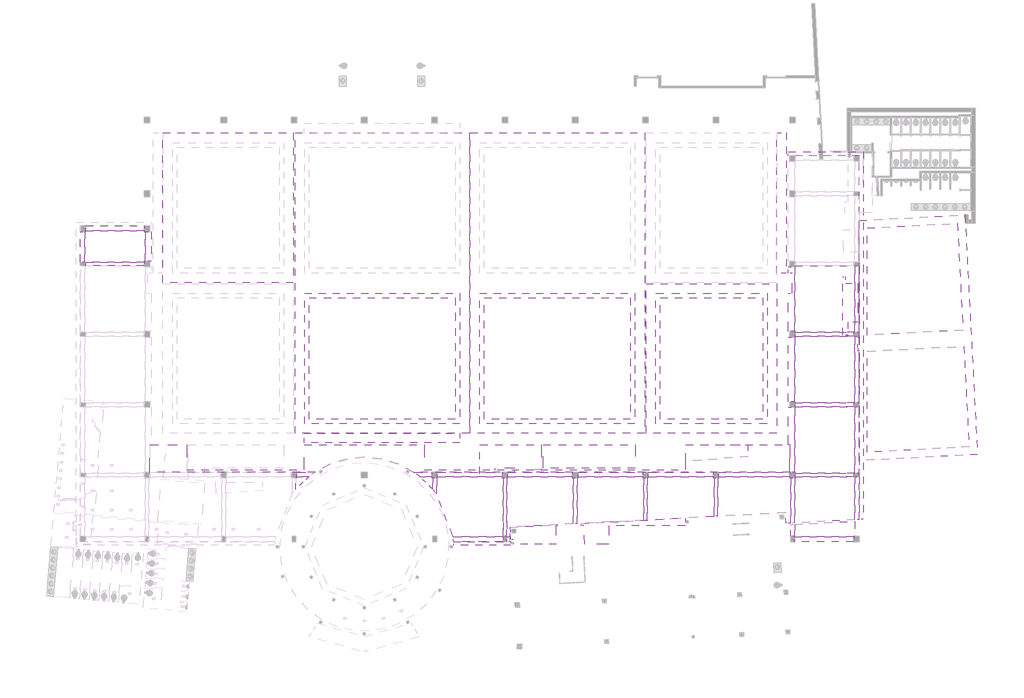
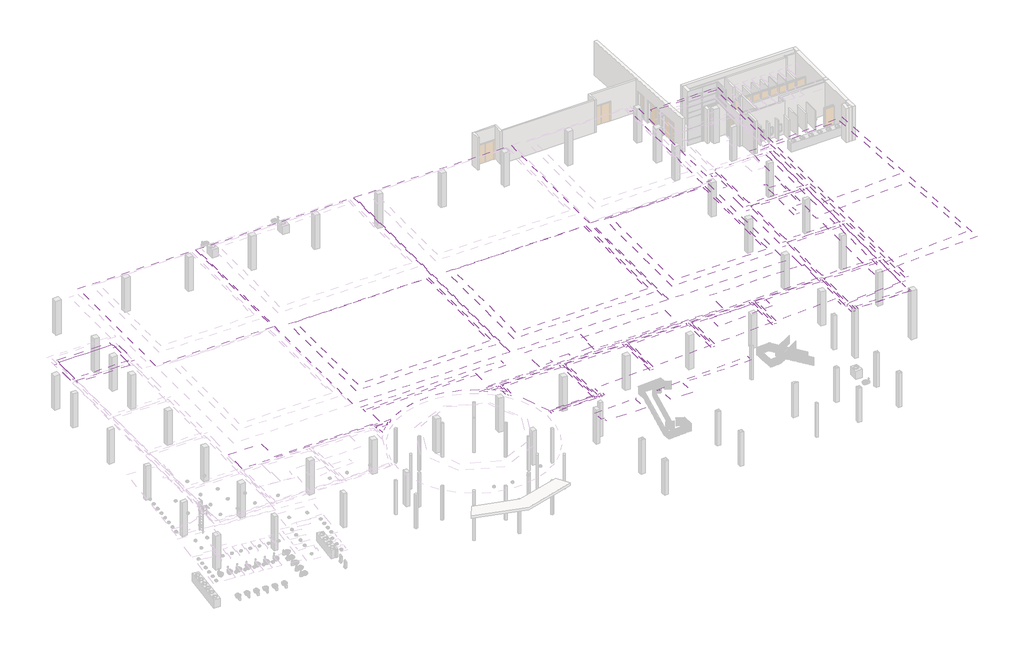
# One storey, part 28 of 36: 68 coverings.
"""IFC4 building model written with IfcOpenShell, lengths in millimetres."""

from ifc_helpers import new_model, si_unit, point, frame, frame_2d, origin, place, context, project, spatial, polyline, circle_curve, trimmed, segment, composite_curve, outline, extrude, element, save

model = new_model("IFC4")

# Units and contexts
model_context = context("Model", 3, world=origin())
ifc_project = project(units=[si_unit("LENGTHUNIT", "METRE", prefix="MILLI")], contexts=[model_context])

# Site, building, storey
site = spatial("IfcSite", under=ifc_project)
building = spatial("IfcBuilding", under=site)
storey = spatial("IfcBuildingStorey", under=building, Elevation=0.0)

# Coverings
placement = place(None, origin())
element("IfcCovering", 1, ObjectType="2' x 2' ACT System", at=placement, inside=storey, context=model_context, shape_type="SweptSolid", body=[
    extrude(outline(polyline([(-29897.3440345, -14000.959635), (-29897.3440345, -2418.559635), (-15978.1440345, -2418.559635), (-15978.1440345, -14000.959635), (-29897.3440345, -14000.959635)])), frame((0.0, 0.0, 6096.0), z_axis=(0.0, 0.0, 1.0), x_axis=(1.0, 0.0, 0.0)), (0.0, 0.0, 1.0), 50.8),
])
element("IfcCovering", 2, ObjectType="2' x 2' ACT System", at=placement, inside=storey, context=model_context, shape_type="SweptSolid", body=[
    extrude(outline(polyline([(13333.4559655, -14000.959635), (3579.8559655, -14000.959635), (3579.8559655, -2418.559635), (13333.4559655, -2418.559635), (13333.4559655, -14000.959635)])), frame((0.0, 0.0, 6096.0), z_axis=(0.0, 0.0, 1.0), x_axis=(1.0, 0.0, 0.0)), (0.0, 0.0, 1.0), 50.8),
])
element("IfcCovering", 3, ObjectType="2' x 2' ACT System", at=placement, inside=storey, context=model_context, shape_type="SweptSolid", body=[
    extrude(outline(polyline([(735.0559655, -14000.959635), (-13184.1440345, -14000.959635), (-13184.1440345, -2418.559635), (735.0559655, -2418.559635), (735.0559655, -14000.959635)])), frame((0.0, 0.0, 6096.0), z_axis=(0.0, 0.0, 1.0), x_axis=(1.0, 0.0, 0.0)), (0.0, 0.0, 1.0), 50.8),
])
element("IfcCovering", 4, ObjectType="2' x 2' ACT System", at=placement, inside=storey, context=model_context, shape_type="SweptSolid", body=[
    extrude(outline(polyline([(16476.7059655, -5717.384635), (16476.7059655, -5625.309635), (16384.6309655, -5625.309635), (16384.6309655, 534.190365), (16476.7059655, 534.190365), (16476.7059655, 626.265365), (22118.6809655, 626.265365), (22118.6809655, -5717.384635), (16476.7059655, -5717.384635)])), frame((0.0, 0.0, 5181.6), z_axis=(0.0, 0.0, 1.0), x_axis=(1.0, 0.0, 0.0)), (0.0, 0.0, 1.0), 50.8),
])
element("IfcCovering", 5, ObjectType="2' x 2' ACT System", at=placement, inside=storey, context=model_context, shape_type="SweptSolid", body=[
    extrude(outline(polyline([(16476.7059655, -6079.334635), (22118.6809655, -6079.334635), (22118.6809655, -12422.984635), (16476.7059655, -12422.984635), (16476.7059655, -12330.909635), (16384.6309655, -12330.909635), (16384.6309655, -6171.409635), (16476.7059655, -6171.409635), (16476.7059655, -6079.334635)])), frame((0.0, 0.0, 5181.6), z_axis=(0.0, 0.0, 1.0), x_axis=(1.0, 0.0, 0.0)), (0.0, 0.0, 1.0), 50.8),
])
element("IfcCovering", 6, ObjectType="2' x 2' ACT System", at=placement, inside=storey, context=model_context, shape_type="SweptSolid", body=[
    extrude(outline(polyline([(16476.7059655, -19128.584635), (16476.7059655, -19036.509635), (16384.6309655, -19036.509635), (16384.6309655, -12877.009635), (16476.7059655, -12877.009635), (16476.7059655, -12784.934635), (22118.6809655, -12784.934635), (22118.6809655, -19128.584635), (16476.7059655, -19128.584635)])), frame((0.0, 0.0, 5181.6), z_axis=(0.0, 0.0, 1.0), x_axis=(1.0, 0.0, 0.0)), (0.0, 0.0, 1.0), 50.8),
])
element("IfcCovering", 7, ObjectType="2' x 2' ACT System", at=placement, inside=storey, context=model_context, shape_type="SweptSolid", body=[
    extrude(outline(polyline([(16476.7059655, -19490.534635), (22118.6809655, -19490.534635), (22118.6809655, -23584.9151815), (16384.6309655, -23885.4240083), (16384.6309655, -19582.609635), (16476.7059655, -19582.609635), (16476.7059655, -19490.534635)])), frame((0.0, 0.0, 5181.6), z_axis=(0.0, 0.0, 1.0), x_axis=(1.0, 0.0, 0.0)), (0.0, 0.0, 1.0), 50.8),
])
element("IfcCovering", 8, ObjectType="2' x 2' ACT System", at=placement, inside=storey, context=model_context, shape_type="SweptSolid", body=[
    extrude(outline(polyline([(15930.6059655, -19490.534635), (15930.6059655, -19582.609635), (16022.6809655, -19582.609635), (16022.6809655, -23904.393004), (15588.5919456, -23927.1426455), (15535.7509474, -22918.8763358), (9069.4309655, -23257.7618061), (9069.4309655, -19582.609635), (9161.5059655, -19582.609635), (9161.5059655, -19490.534635), (15930.6059655, -19490.534635)])), frame((0.0, 0.0, 5181.6), z_axis=(0.0, 0.0, 1.0), x_axis=(1.0, 0.0, 0.0)), (0.0, 0.0, 1.0), 50.8),
])
element("IfcCovering", 9, ObjectType="2' x 2' ACT System", at=placement, inside=storey, context=model_context, shape_type="SweptSolid", body=[
    extrude(outline(polyline([(2455.9059655, -19490.534635), (8615.4059655, -19490.534635), (8615.4059655, -19582.609635), (8707.4809655, -19582.609635), (8707.4809655, -23276.7308019), (2363.8309655, -23609.1874109), (2363.8309655, -19582.609635), (2455.9059655, -19582.609635), (2455.9059655, -19490.534635)])), frame((0.0, 0.0, 5181.6), z_axis=(0.0, 0.0, 1.0), x_axis=(1.0, 0.0, 0.0)), (0.0, 0.0, 1.0), 50.8),
])
element("IfcCovering", 10, ObjectType="2' x 2' ACT System", at=placement, inside=storey, context=model_context, shape_type="SweptSolid", body=[
    extrude(outline(polyline([(1909.8059655, -19490.534635), (1909.8059655, -19582.609635), (2001.8809655, -19582.609635), (2001.8809655, -23628.1564066), (-4341.7690345, -23960.6130157), (-4341.7690345, -19582.609635), (-4249.6940345, -19582.609635), (-4249.6940345, -19490.534635), (1909.8059655, -19490.534635)])), frame((0.0, 0.0, 5181.6), z_axis=(0.0, 0.0, 1.0), x_axis=(1.0, 0.0, 0.0)), (0.0, 0.0, 1.0), 50.8),
])
element("IfcCovering", 11, ObjectType="2' x 2' ACT System", at=placement, inside=storey, context=model_context, shape_type="SweptSolid", body=[
    extrude(outline(polyline([(-10955.2940345, -19490.534635), (-4795.7940345, -19490.534635), (-4795.7940345, -19582.609635), (-4703.7190345, -19582.609635), (-4703.7190345, -23979.5820114), (-10767.9512721, -24297.394956), (-10719.3593201, -25224.584635), (-11047.3690345, -25224.584635), (-11047.3690345, -19582.609635), (-10955.2940345, -19582.609635), (-10955.2940345, -19490.534635)])), frame((0.0, 0.0, 5181.6), z_axis=(0.0, 0.0, 1.0), x_axis=(1.0, 0.0, 0.0)), (0.0, 0.0, 1.0), 50.8),
])
element("IfcCovering", 12, ObjectType="2' x 2' ACT System", at=placement, inside=storey, context=model_context, shape_type="SweptSolid", body=[
    extrude(outline(polyline([(-45638.9940345, 3979.065365), (-45638.9940345, 3886.990365), (-45546.9190345, 3886.990365), (-45546.9190345, 1080.290365), (-45638.9940345, 1080.290365), (-45638.9940345, 988.215365), (-51280.9690345, 988.215365), (-51280.9690345, 3886.990365), (-51188.8940345, 3886.990365), (-51188.8940345, 3979.065365), (-45638.9940345, 3979.065365)])), frame((0.0, 0.0, 5181.6), z_axis=(0.0, 0.0, 1.0), x_axis=(1.0, 0.0, 0.0)), (0.0, 0.0, 1.0), 50.8),
])
element("IfcCovering", 13, ObjectType="2' x 2' ACT System", at=placement, inside=storey, context=model_context, shape_type="SweptSolid", body=[
    extrude(outline(composite_curve([segment(polyline([(-31072.0940345, -19490.534635), (-29954.9292989, -19490.534635)]), True, "CONTINUOUS"), segment(trimmed(circle_curve(frame_2d((-24639.5440345, -26167.559635)), 8534.4), [point((-29954.9292989, -19490.534635))], [point((-31164.1690345, -20666.1732671))], True, "CARTESIAN"), True, "CONTINUOUS"), segment(polyline([(-31164.1690345, -20666.1732671), (-31164.1690345, -19582.609635), (-31072.0940345, -19582.609635), (-31072.0940345, -19490.534635)]), True, "CONTINUOUS")], self_intersect=False)), frame((0.0, 0.0, 5181.6), z_axis=(0.0, 0.0, 1.0), x_axis=(1.0, 0.0, 0.0)), (0.0, 0.0, 1.0), 50.8),
])
element("IfcCovering", 14, ObjectType="2' x 2' ACT System", at=placement, inside=storey, context=model_context, shape_type="SweptSolid", body=[
    extrude(outline(composite_curve([segment(polyline([(-18206.9940345, -19490.534635), (-18206.9940345, -19582.609635), (-18114.9190345, -19582.609635), (-18114.9190345, -20666.1732671)]), True, "CONTINUOUS"), segment(trimmed(circle_curve(frame_2d((-24639.5440345, -26167.559635)), 8534.4), [point((-18114.9190345, -20666.1732671))], [point((-19324.1587701, -19490.534635))], True, "CARTESIAN"), True, "CONTINUOUS"), segment(polyline([(-19324.1587701, -19490.534635), (-18206.9940345, -19490.534635)]), True, "CONTINUOUS")], self_intersect=False)), frame((0.0, 0.0, 5181.6), z_axis=(0.0, 0.0, 1.0), x_axis=(1.0, 0.0, 0.0)), (0.0, 0.0, 1.0), 50.8),
])
element("IfcCovering", 15, ObjectType="2' x 2' ACT System", at=placement, inside=storey, context=model_context, shape_type="SweptSolid", body=[
    extrude(outline(composite_curve([segment(polyline([(-17660.8940345, -19490.534635), (-11501.3940345, -19490.534635), (-11501.3940345, -19582.609635), (-11409.3190345, -19582.609635), (-11409.3190345, -25224.584635), (-16157.3991696, -25224.584635)]), True, "CONTINUOUS"), segment(trimmed(circle_curve(frame_2d((-24639.5440345, -26167.559635)), 8534.4), [point((-16157.3991696, -25224.584635))], [point((-17752.9690345, -21126.620424))], True, "CARTESIAN"), True, "CONTINUOUS"), segment(polyline([(-17752.9690345, -21126.620424), (-17752.9690345, -19582.609635), (-17660.8940345, -19582.609635), (-17660.8940345, -19490.534635)]), True, "CONTINUOUS")], self_intersect=False)), frame((0.0, 0.0, 5181.6), z_axis=(0.0, 0.0, 1.0), x_axis=(1.0, 0.0, 0.0)), (0.0, 0.0, 1.0), 50.8),
])
element("IfcCovering", 16, ObjectType="2' x 2' ACT System", at=placement, inside=storey, context=model_context, shape_type="SweptSolid", body=[
    extrude(outline(polyline([(31909.2771996, 4687.1559255), (32443.7073352, -5510.3785431), (23334.7059655, -5987.7610764), (23334.7059655, 4237.7816888), (31909.2771996, 4687.1559255)])), frame((0.0, 0.0, 2743.2), z_axis=(0.0, 0.0, 1.0), x_axis=(1.0, 0.0, 0.0)), (0.0, 0.0, 1.0), 50.8),
])
element("IfcCovering", 17, ObjectType="2' x 2' ACT System", at=placement, inside=storey, context=model_context, shape_type="SweptSolid", body=[
    extrude(outline(polyline([(32523.4673326, -7032.2899541), (33027.0803286, -16641.7983694), (23334.7059655, -17149.7541858), (23334.7059655, -7513.8525317), (32523.4673326, -7032.2899541)])), frame((0.0, 0.0, 2743.2), z_axis=(0.0, 0.0, 1.0), x_axis=(1.0, 0.0, 0.0)), (0.0, 0.0, 1.0), 50.8),
])
element("IfcCovering", 18, ObjectType="GWB on Mtl. Stud", at=placement, inside=storey, context=model_context, shape_type="SweptSolid", body=[
    extrude(outline(polyline([(15594.0559655, -56.359635), (14679.6559655, -56.359635), (14679.6559655, 13304.040365), (15594.0559655, 13304.040365), (15594.0559655, -56.359635)])), frame((0.0, 0.0, 4572.0), z_axis=(0.0, 0.0, 1.0), x_axis=(1.0, 0.0, 0.0)), (0.0, 0.0, 1.0), 50.8),
    extrude(outline(polyline([(15594.0559655, -1986.759635), (15594.0559655, -15347.159635), (14679.6559655, -15347.159635), (14679.6559655, -1986.759635), (15594.0559655, -1986.759635)])), frame((0.0, 0.0, 4572.0), z_axis=(0.0, 0.0, 1.0), x_axis=(1.0, 0.0, 0.0)), (0.0, 0.0, 1.0), 50.8),
])
element("IfcCovering", 19, ObjectType="GWB on Mtl. Stud", at=placement, inside=storey, context=model_context, shape_type="SweptSolid", body=[
    extrude(outline(polyline([(3148.0559655, -16261.559635), (3148.0559655, -15347.159635), (14679.6559655, -15347.159635), (14679.6559655, -16261.559635), (3148.0559655, -16261.559635)])), frame((0.0, 0.0, 4572.0), z_axis=(0.0, 0.0, 1.0), x_axis=(1.0, 0.0, 0.0)), (0.0, 0.0, 1.0), 50.8),
    extrude(outline(polyline([(1217.6559655, -16261.559635), (-13615.9440345, -16261.559635), (-13615.9440345, -15347.159635), (1217.6559655, -15347.159635), (1217.6559655, -16261.559635)])), frame((0.0, 0.0, 4572.0), z_axis=(0.0, 0.0, 1.0), x_axis=(1.0, 0.0, 0.0)), (0.0, 0.0, 1.0), 50.8),
    extrude(outline(polyline([(-30379.9440345, -16261.559635), (-30379.9440345, -15347.159635), (-15546.3440345, -15347.159635), (-15546.3440345, -16261.559635), (-30379.9440345, -16261.559635)])), frame((0.0, 0.0, 4572.0), z_axis=(0.0, 0.0, 1.0), x_axis=(1.0, 0.0, 0.0)), (0.0, 0.0, 1.0), 50.8),
    extrude(outline(polyline([(-43841.9440345, -16261.559635), (-43841.9440345, -15347.159635), (-32310.3440345, -15347.159635), (-32310.3440345, -16261.559635), (-43841.9440345, -16261.559635)])), frame((0.0, 0.0, 4572.0), z_axis=(0.0, 0.0, 1.0), x_axis=(1.0, 0.0, 0.0)), (0.0, 0.0, 1.0), 50.8),
])
element("IfcCovering", 20, ObjectType="GWB on Mtl. Stud", at=placement, inside=storey, context=model_context, shape_type="SweptSolid", body=[
    extrude(outline(polyline([(-43841.9440345, 13304.040365), (-31395.9440345, 13304.040365), (-31395.9440345, -970.759635), (-43841.9440345, -970.759635), (-43841.9440345, 13304.040365)]), holes=[polyline([(-32310.3440345, -56.359635), (-32310.3440345, 12389.640365), (-42927.5440345, 12389.640365), (-42927.5440345, -56.359635), (-32310.3440345, -56.359635)])]), frame((0.0, 0.0, 5181.6), z_axis=(0.0, 0.0, 1.0), x_axis=(1.0, 0.0, 0.0)), (0.0, 0.0, 1.0), 50.8),
])
element("IfcCovering", 21, ObjectType="GWB on Mtl. Stud", at=placement, inside=storey, context=model_context, shape_type="SweptSolid", body=[
    extrude(outline(polyline([(-31243.5440345, -15347.159635), (-31243.5440345, 13304.040365), (-14631.9440345, 13304.040365), (-14631.9440345, -15347.159635), (-31243.5440345, -15347.159635)]), holes=[polyline([(-15546.3440345, -1986.759635), (-30329.1440345, -1986.759635), (-30329.1440345, -14432.759635), (-15546.3440345, -14432.759635), (-15546.3440345, -1986.759635)]), polyline([(-15546.3440345, -56.359635), (-15546.3440345, 12389.640365), (-30329.1440345, 12389.640365), (-30329.1440345, -56.359635), (-15546.3440345, -56.359635)])]), frame((0.0, 0.0, 5181.6), z_axis=(0.0, 0.0, 1.0), x_axis=(1.0, 0.0, 0.0)), (0.0, 0.0, 1.0), 50.8),
])
element("IfcCovering", 22, ObjectType="GWB on Mtl. Stud", at=placement, inside=storey, context=model_context, shape_type="SweptSolid", body=[
    extrude(outline(polyline([(-15546.3440345, -1986.759635), (-15546.3440345, -14432.759635), (-30329.1440345, -14432.759635), (-30329.1440345, -1986.759635), (-15546.3440345, -1986.759635)]), holes=[polyline([(-15978.1440345, -2418.559635), (-29897.3440345, -2418.559635), (-29897.3440345, -14000.959635), (-15978.1440345, -14000.959635), (-15978.1440345, -2418.559635)])]), frame((0.0, 0.0, 5791.2), z_axis=(0.0, 0.0, 1.0), x_axis=(1.0, 0.0, 0.0)), (0.0, 0.0, 1.0), 50.8),
])
element("IfcCovering", 23, ObjectType="GWB on Mtl. Stud", at=placement, inside=storey, context=model_context, shape_type="SweptSolid", body=[
    extrude(outline(polyline([(14679.6559655, -15347.159635), (2233.6559655, -15347.159635), (2233.6559655, -1072.359635), (14679.6559655, -1072.359635), (14679.6559655, -15347.159635)]), holes=[polyline([(3148.0559655, -1986.759635), (3148.0559655, -14432.759635), (13765.2559655, -14432.759635), (13765.2559655, -1986.759635), (3148.0559655, -1986.759635)])]), frame((0.0, 0.0, 5181.6), z_axis=(0.0, 0.0, 1.0), x_axis=(1.0, 0.0, 0.0)), (0.0, 0.0, 1.0), 50.8),
])
element("IfcCovering", 24, ObjectType="GWB on Mtl. Stud", at=placement, inside=storey, context=model_context, shape_type="SweptSolid", body=[
    extrude(outline(polyline([(2081.2559655, -15347.159635), (-14530.3440345, -15347.159635), (-14530.3440345, 13304.040365), (2081.2559655, 13304.040365), (2081.2559655, -15347.159635)]), holes=[polyline([(-13615.9440345, -1986.759635), (-13615.9440345, -14432.759635), (1166.8559655, -14432.759635), (1166.8559655, -1986.759635), (-13615.9440345, -1986.759635)]), polyline([(-13615.9440345, -56.359635), (1166.8559655, -56.359635), (1166.8559655, 12389.640365), (-13615.9440345, 12389.640365), (-13615.9440345, -56.359635)])]), frame((0.0, 0.0, 5181.6), z_axis=(0.0, 0.0, 1.0), x_axis=(1.0, 0.0, 0.0)), (0.0, 0.0, 1.0), 50.8),
])
element("IfcCovering", 25, ObjectType="GWB on Mtl. Stud", at=placement, inside=storey, context=model_context, shape_type="SweptSolid", body=[
    extrude(outline(polyline([(3148.0559655, -1986.759635), (13765.2559655, -1986.759635), (13765.2559655, -14432.759635), (3148.0559655, -14432.759635), (3148.0559655, -1986.759635)]), holes=[polyline([(3579.8559655, -2418.559635), (3579.8559655, -14000.959635), (13333.4559655, -14000.959635), (13333.4559655, -2418.559635), (3579.8559655, -2418.559635)])]), frame((0.0, 0.0, 5791.2), z_axis=(0.0, 0.0, 1.0), x_axis=(1.0, 0.0, 0.0)), (0.0, 0.0, 1.0), 50.8),
])
element("IfcCovering", 26, ObjectType="GWB on Mtl. Stud", at=placement, inside=storey, context=model_context, shape_type="SweptSolid", body=[
    extrude(outline(polyline([(-13615.9440345, -1986.759635), (1166.8559655, -1986.759635), (1166.8559655, -14432.759635), (-13615.9440345, -14432.759635), (-13615.9440345, -1986.759635)]), holes=[polyline([(-13184.1440345, -2418.559635), (-13184.1440345, -14000.959635), (735.0559655, -14000.959635), (735.0559655, -2418.559635), (-13184.1440345, -2418.559635)])]), frame((0.0, 0.0, 5791.2), z_axis=(0.0, 0.0, 1.0), x_axis=(1.0, 0.0, 0.0)), (0.0, 0.0, 1.0), 50.8),
])
element("IfcCovering", 27, ObjectType="GWB on Mtl. Stud", at=placement, inside=storey, context=model_context, shape_type="SweptSolid", body=[
    extrude(outline(polyline([(22026.6059655, -6079.334635), (16476.7059655, -6079.334635), (16476.7059655, -5717.384635), (22026.6059655, -5717.384635), (22026.6059655, -6079.334635)])), frame((0.0, 0.0, 4895.85), z_axis=(0.0, 0.0, 1.0), x_axis=(1.0, 0.0, 0.0)), (0.0, 0.0, 1.0), 50.8),
])
element("IfcCovering", 28, ObjectType="GWB on Mtl. Stud", at=placement, inside=storey, context=model_context, shape_type="SweptSolid", body=[
    extrude(outline(polyline([(22026.6059655, -12784.934635), (16476.7059655, -12784.934635), (16476.7059655, -12422.984635), (22026.6059655, -12422.984635), (22026.6059655, -12784.934635)])), frame((0.0, 0.0, 4895.85), z_axis=(0.0, 0.0, 1.0), x_axis=(1.0, 0.0, 0.0)), (0.0, 0.0, 1.0), 50.8),
])
element("IfcCovering", 29, ObjectType="GWB on Mtl. Stud", at=placement, inside=storey, context=model_context, shape_type="SweptSolid", body=[
    extrude(outline(polyline([(22026.6059655, -19490.534635), (16476.7059655, -19490.534635), (16476.7059655, -19128.584635), (22026.6059655, -19128.584635), (22026.6059655, -19490.534635)])), frame((0.0, 0.0, 4895.85), z_axis=(0.0, 0.0, 1.0), x_axis=(1.0, 0.0, 0.0)), (0.0, 0.0, 1.0), 50.8),
])
element("IfcCovering", 30, ObjectType="GWB on Mtl. Stud", at=placement, inside=storey, context=model_context, shape_type="SweptSolid", body=[
    extrude(outline(polyline([(22572.7059655, -5717.384635), (22118.6809655, -5717.384635), (22118.6809655, 626.265365), (22572.7059655, 626.265365), (22572.7059655, -5717.384635)])), frame((0.0, 0.0, 5118.1), z_axis=(0.0, 0.0, 1.0), x_axis=(1.0, 0.0, 0.0)), (0.0, 0.0, 1.0), 50.8),
])
element("IfcCovering", 31, ObjectType="GWB on Mtl. Stud", at=placement, inside=storey, context=model_context, shape_type="SweptSolid", body=[
    extrude(outline(polyline([(16384.6309655, -5625.309635), (15771.8559655, -5625.309635), (15771.8559655, -1986.759635), (16159.2059655, -1986.759635), (16159.2059655, -56.359635), (15771.8559655, -56.359635), (15771.8559655, 534.190365), (16384.6309655, 534.190365), (16384.6309655, -5625.309635)])), frame((0.0, 0.0, 4895.85), z_axis=(0.0, 0.0, 1.0), x_axis=(1.0, 0.0, 0.0)), (0.0, 0.0, 1.0), 50.8),
])
element("IfcCovering", 32, ObjectType="GWB on Mtl. Stud", at=placement, inside=storey, context=model_context, shape_type="SweptSolid", body=[
    extrude(outline(polyline([(22572.7059655, -12422.984635), (22118.6809655, -12422.984635), (22118.6809655, -6079.334635), (22572.7059655, -6079.334635), (22572.7059655, -12422.984635)])), frame((0.0, 0.0, 5118.1), z_axis=(0.0, 0.0, 1.0), x_axis=(1.0, 0.0, 0.0)), (0.0, 0.0, 1.0), 50.8),
])
element("IfcCovering", 33, ObjectType="GWB on Mtl. Stud", at=placement, inside=storey, context=model_context, shape_type="SweptSolid", body=[
    extrude(outline(polyline([(16384.6309655, -12330.909635), (15771.8559655, -12330.909635), (15771.8559655, -6171.409635), (16384.6309655, -6171.409635), (16384.6309655, -12330.909635)])), frame((0.0, 0.0, 4895.85), z_axis=(0.0, 0.0, 1.0), x_axis=(1.0, 0.0, 0.0)), (0.0, 0.0, 1.0), 50.8),
])
element("IfcCovering", 34, ObjectType="GWB on Mtl. Stud", at=placement, inside=storey, context=model_context, shape_type="SweptSolid", body=[
    extrude(outline(polyline([(22572.7059655, -19128.584635), (22118.6809655, -19128.584635), (22118.6809655, -12784.934635), (22572.7059655, -12784.934635), (22572.7059655, -19128.584635)])), frame((0.0, 0.0, 5118.1), z_axis=(0.0, 0.0, 1.0), x_axis=(1.0, 0.0, 0.0)), (0.0, 0.0, 1.0), 50.8),
])
element("IfcCovering", 35, ObjectType="GWB on Mtl. Stud", at=placement, inside=storey, context=model_context, shape_type="SweptSolid", body=[
    extrude(outline(polyline([(16384.6309655, -19036.509635), (15930.6059655, -19036.509635), (15930.6059655, -16439.359635), (15771.8559655, -16439.359635), (15771.8559655, -12877.009635), (16384.6309655, -12877.009635), (16384.6309655, -19036.509635)])), frame((0.0, 0.0, 4895.85), z_axis=(0.0, 0.0, 1.0), x_axis=(1.0, 0.0, 0.0)), (0.0, 0.0, 1.0), 50.8),
])
element("IfcCovering", 36, ObjectType="GWB on Mtl. Stud", at=placement, inside=storey, context=model_context, shape_type="SweptSolid", body=[
    extrude(outline(polyline([(22572.7059655, -23561.1207395), (22118.6809655, -23584.9151815), (22118.6809655, -19490.534635), (22572.7059655, -19490.534635), (22572.7059655, -23561.1207395)])), frame((0.0, 0.0, 5118.1), z_axis=(0.0, 0.0, 1.0), x_axis=(1.0, 0.0, 0.0)), (0.0, 0.0, 1.0), 50.8),
])
element("IfcCovering", 37, ObjectType="GWB on Mtl. Stud", at=placement, inside=storey, context=model_context, shape_type="SweptSolid", body=[
    extrude(outline(polyline([(16384.6309655, -23885.4240083), (16022.6809655, -23904.393004), (16022.6809655, -19582.609635), (16384.6309655, -19582.609635), (16384.6309655, -23885.4240083)])), frame((0.0, 0.0, 4895.85), z_axis=(0.0, 0.0, 1.0), x_axis=(1.0, 0.0, 0.0)), (0.0, 0.0, 1.0), 50.8),
])
element("IfcCovering", 38, ObjectType="GWB on Mtl. Stud", at=placement, inside=storey, context=model_context, shape_type="SweptSolid", body=[
    extrude(outline(polyline([(15930.6059655, -19490.534635), (9161.5059655, -19490.534635), (9161.5059655, -19036.509635), (15930.6059655, -19036.509635), (15930.6059655, -19490.534635)])), frame((0.0, 0.0, 4895.85), z_axis=(0.0, 0.0, 1.0), x_axis=(1.0, 0.0, 0.0)), (0.0, 0.0, 1.0), 50.8),
])
element("IfcCovering", 39, ObjectType="GWB on Mtl. Stud", at=placement, inside=storey, context=model_context, shape_type="SweptSolid", body=[
    extrude(outline(polyline([(8615.4059655, -19490.534635), (2455.9059655, -19490.534635), (2455.9059655, -19036.509635), (8615.4059655, -19036.509635), (8615.4059655, -19490.534635)])), frame((0.0, 0.0, 4895.85), z_axis=(0.0, 0.0, 1.0), x_axis=(1.0, 0.0, 0.0)), (0.0, 0.0, 1.0), 50.8),
])
element("IfcCovering", 40, ObjectType="GWB on Mtl. Stud", at=placement, inside=storey, context=model_context, shape_type="SweptSolid", body=[
    extrude(outline(polyline([(1909.8059655, -19490.534635), (-4249.6940345, -19490.534635), (-4249.6940345, -19036.509635), (1909.8059655, -19036.509635), (1909.8059655, -19490.534635)])), frame((0.0, 0.0, 4895.85), z_axis=(0.0, 0.0, 1.0), x_axis=(1.0, 0.0, 0.0)), (0.0, 0.0, 1.0), 50.8),
])
element("IfcCovering", 41, ObjectType="GWB on Mtl. Stud", at=placement, inside=storey, context=model_context, shape_type="SweptSolid", body=[
    extrude(outline(polyline([(-4795.7940345, -19490.534635), (-10955.2940345, -19490.534635), (-10955.2940345, -19036.509635), (-4795.7940345, -19036.509635), (-4795.7940345, -19490.534635)])), frame((0.0, 0.0, 4895.85), z_axis=(0.0, 0.0, 1.0), x_axis=(1.0, 0.0, 0.0)), (0.0, 0.0, 1.0), 50.8),
])
element("IfcCovering", 42, ObjectType="GWB on Mtl. Stud", at=placement, inside=storey, context=model_context, shape_type="SweptSolid", body=[
    extrude(outline(polyline([(-11501.3940345, -19490.534635), (-17660.8940345, -19490.534635), (-17660.8940345, -19036.509635), (-11501.3940345, -19036.509635), (-11501.3940345, -19490.534635)])), frame((0.0, 0.0, 4895.85), z_axis=(0.0, 0.0, 1.0), x_axis=(1.0, 0.0, 0.0)), (0.0, 0.0, 1.0), 50.8),
])
element("IfcCovering", 43, ObjectType="GWB on Mtl. Stud", at=placement, inside=storey, context=model_context, shape_type="SweptSolid", body=[
    extrude(outline(composite_curve([segment(polyline([(-18206.9940345, -19490.534635), (-19324.1587701, -19490.534635)]), True, "CONTINUOUS"), segment(trimmed(circle_curve(frame_2d((-24639.5440345, -26167.559635)), 8534.4), [point((-19324.1587701, -19490.534635))], [point((-19950.8225395, -19036.509635))], True, "CARTESIAN"), True, "CONTINUOUS"), segment(polyline([(-19950.8225395, -19036.509635), (-18206.9940345, -19036.509635), (-18206.9940345, -19490.534635)]), True, "CONTINUOUS")], self_intersect=False)), frame((0.0, 0.0, 4895.85), z_axis=(0.0, 0.0, 1.0), x_axis=(1.0, 0.0, 0.0)), (0.0, 0.0, 1.0), 50.8),
])
element("IfcCovering", 44, ObjectType="GWB on Mtl. Stud", at=placement, inside=storey, context=model_context, shape_type="SweptSolid", body=[
    extrude(outline(polyline([(-45546.9190345, 1080.290365), (-45546.9190345, 3886.990365), (-44934.1440345, 3886.990365), (-44934.1440345, 1080.290365), (-45546.9190345, 1080.290365)])), frame((0.0, 0.0, 4895.85), z_axis=(0.0, 0.0, 1.0), x_axis=(1.0, 0.0, 0.0)), (0.0, 0.0, 1.0), 50.8),
])
element("IfcCovering", 45, ObjectType="GWB on Mtl. Stud", at=placement, inside=storey, context=model_context, shape_type="SweptSolid", body=[
    extrude(outline(polyline([(9069.4309655, -23257.7618061), (8707.4809655, -23276.7308019), (8707.4809655, -19582.609635), (9069.4309655, -19582.609635), (9069.4309655, -23257.7618061)])), frame((0.0, 0.0, 4895.85), z_axis=(0.0, 0.0, 1.0), x_axis=(1.0, 0.0, 0.0)), (0.0, 0.0, 1.0), 50.8),
])
element("IfcCovering", 46, ObjectType="GWB on Mtl. Stud", at=placement, inside=storey, context=model_context, shape_type="SweptSolid", body=[
    extrude(outline(polyline([(2363.8309655, -23609.1874109), (2001.8809655, -23628.1564066), (2001.8809655, -19582.609635), (2363.8309655, -19582.609635), (2363.8309655, -23609.1874109)])), frame((0.0, 0.0, 4895.85), z_axis=(0.0, 0.0, 1.0), x_axis=(1.0, 0.0, 0.0)), (0.0, 0.0, 1.0), 50.8),
])
element("IfcCovering", 47, ObjectType="GWB on Mtl. Stud", at=placement, inside=storey, context=model_context, shape_type="SweptSolid", body=[
    extrude(outline(polyline([(-4341.7690345, -23960.6130157), (-4703.7190345, -23979.5820114), (-4703.7190345, -19582.609635), (-4341.7690345, -19582.609635), (-4341.7690345, -23960.6130157)])), frame((0.0, 0.0, 4895.85), z_axis=(0.0, 0.0, 1.0), x_axis=(1.0, 0.0, 0.0)), (0.0, 0.0, 1.0), 50.8),
])
element("IfcCovering", 48, ObjectType="GWB on Mtl. Stud", at=placement, inside=storey, context=model_context, shape_type="SweptSolid", body=[
    extrude(outline(polyline([(-11047.3690345, -25132.509635), (-11409.3190345, -25132.509635), (-11409.3190345, -19582.609635), (-11047.3690345, -19582.609635), (-11047.3690345, -25132.509635)])), frame((0.0, 0.0, 4895.85), z_axis=(0.0, 0.0, 1.0), x_axis=(1.0, 0.0, 0.0)), (0.0, 0.0, 1.0), 50.8),
])
element("IfcCovering", 49, ObjectType="GWB on Mtl. Stud", at=placement, inside=storey, context=model_context, shape_type="SweptSolid", body=[
    extrude(outline(polyline([(-45638.9940345, 626.265365), (-51188.8940345, 626.265365), (-51188.8940345, 988.215365), (-45638.9940345, 988.215365), (-45638.9940345, 626.265365)])), frame((0.0, 0.0, 4895.85), z_axis=(0.0, 0.0, 1.0), x_axis=(1.0, 0.0, 0.0)), (0.0, 0.0, 1.0), 50.8),
])
element("IfcCovering", 50, ObjectType="GWB on Mtl. Stud", at=placement, inside=storey, context=model_context, shape_type="SweptSolid", body=[
    extrude(outline(polyline([(-45638.9940345, 3979.065365), (-51188.8940345, 3979.065365), (-51188.8940345, 4433.090365), (-45638.9940345, 4433.090365), (-45638.9940345, 3979.065365)])), frame((0.0, 0.0, 5118.1), z_axis=(0.0, 0.0, 1.0), x_axis=(1.0, 0.0, 0.0)), (0.0, 0.0, 1.0), 50.8),
])
element("IfcCovering", 51, ObjectType="GWB on Mtl. Stud", at=placement, inside=storey, context=model_context, shape_type="SweptSolid", body=[
    extrude(outline(composite_curve([segment(polyline([(-18114.9190345, -19582.609635), (-17752.9690345, -19582.609635), (-17752.9690345, -21126.620424)]), True, "CONTINUOUS"), segment(trimmed(circle_curve(frame_2d((-24639.5440345, -26167.559635)), 8534.4), [point((-17752.9690345, -21126.620424))], [point((-18114.9190345, -20666.1732671))], True, "CARTESIAN"), True, "CONTINUOUS"), segment(polyline([(-18114.9190345, -20666.1732671), (-18114.9190345, -19582.609635)]), True, "CONTINUOUS")], self_intersect=False)), frame((0.0, 0.0, 4895.85), z_axis=(0.0, 0.0, 1.0), x_axis=(1.0, 0.0, 0.0)), (0.0, 0.0, 1.0), 50.8),
])
element("IfcCovering", 52, ObjectType="GWB on Mtl. Stud", at=placement, inside=storey, context=model_context, shape_type="SweptSolid", body=[
    extrude(outline(polyline([(-51280.9690345, 988.215365), (-51734.9940345, 988.215365), (-51734.9940345, 3886.990365), (-51280.9690345, 3886.990365), (-51280.9690345, 988.215365)])), frame((0.0, 0.0, 5118.1), z_axis=(0.0, 0.0, 1.0), x_axis=(1.0, 0.0, 0.0)), (0.0, 0.0, 1.0), 50.8),
])
element("IfcCovering", 53, ObjectType="GWB on Mtl. Stud", at=placement, inside=storey, context=model_context, shape_type="SweptSolid", body=[
    extrude(outline(composite_curve([segment(polyline([(-11409.3190345, -25224.584635), (-11409.3190345, -25678.609635), (-16119.161927, -25678.609635)]), True, "CONTINUOUS"), segment(trimmed(circle_curve(frame_2d((-24639.5440345, -26167.559635)), 8534.4), [point((-16119.161927, -25678.609635))], [point((-16157.3991696, -25224.584635))], True, "CARTESIAN"), True, "CONTINUOUS"), segment(polyline([(-16157.3991696, -25224.584635), (-11409.3190345, -25224.584635)]), True, "CONTINUOUS")], self_intersect=False)), frame((0.0, 0.0, 5118.1), z_axis=(0.0, 0.0, 1.0), x_axis=(1.0, 0.0, 0.0)), (0.0, 0.0, 1.0), 50.8),
])
element("IfcCovering", 54, ObjectType="GWB on Mtl. Stud", at=placement, inside=storey, context=model_context, shape_type="SweptSolid", body=[
    extrude(outline(composite_curve([segment(polyline([(-31072.0940345, -19490.534635), (-31072.0940345, -19036.509635), (-29328.2655295, -19036.509635)]), True, "CONTINUOUS"), segment(trimmed(circle_curve(frame_2d((-24639.5440345, -26167.559635)), 8534.4), [point((-29328.2655295, -19036.509635))], [point((-29954.9292989, -19490.534635))], True, "CARTESIAN"), True, "CONTINUOUS"), segment(polyline([(-29954.9292989, -19490.534635), (-31072.0940345, -19490.534635)]), True, "CONTINUOUS")], self_intersect=False)), frame((0.0, 0.0, 4895.85), z_axis=(0.0, 0.0, 1.0), x_axis=(1.0, 0.0, 0.0)), (0.0, 0.0, 1.0), 50.8),
])
element("IfcCovering", 55, ObjectType="GWB on Mtl. Stud", at=placement, inside=storey, context=model_context, shape_type="SweptSolid", body=[
    extrude(outline(composite_curve([segment(polyline([(-10676.9286718, -26034.209635), (-16106.185895, -26034.209635)]), True, "CONTINUOUS"), segment(trimmed(circle_curve(frame_2d((-24639.5440345, -26167.559635)), 8534.4), [point((-16106.185895, -26034.209635))], [point((-16119.161927, -25678.609635))], True, "CARTESIAN"), True, "CONTINUOUS"), segment(polyline([(-16119.161927, -25678.609635), (-10695.5648781, -25678.609635), (-10676.9286718, -26034.209635)]), True, "CONTINUOUS")], self_intersect=False)), frame((0.0, 0.0, 5505.45), z_axis=(0.0, 0.0, 1.0), x_axis=(1.0, 0.0, 0.0)), (0.0, 0.0, 1.0), 50.8),
])
element("IfcCovering", 56, ObjectType="GWB on Mtl. Stud", at=placement, inside=storey, context=model_context, shape_type="SweptSolid", body=[
    extrude(outline(polyline([(-11047.3690345, -25224.584635), (-10719.3593201, -25224.584635), (-10695.5648781, -25678.609635), (-11047.3690345, -25678.609635), (-11047.3690345, -25224.584635)])), frame((0.0, 0.0, 5118.1), z_axis=(0.0, 0.0, 1.0), x_axis=(1.0, 0.0, 0.0)), (0.0, 0.0, 1.0), 50.8),
])
element("IfcCovering", 57, ObjectType="GWB on Mtl. Stud", at=placement, inside=storey, context=model_context, shape_type="SweptSolid", body=[
    extrude(outline(polyline([(22928.3059655, -23542.4845332), (22572.7059655, -23561.1207395), (22572.7059655, 11138.690365), (15771.8559655, 11138.690365), (15771.8559655, 11494.290365), (22928.3059655, 11494.290365), (22928.3059655, -23542.4845332)])), frame((0.0, 0.0, 5505.45), z_axis=(0.0, 0.0, 1.0), x_axis=(1.0, 0.0, 0.0)), (0.0, 0.0, 1.0), 50.8),
])
element("IfcCovering", 58, ObjectType="GWB on Mtl. Stud", at=placement, inside=storey, context=model_context, shape_type="SweptSolid", body=[
    extrude(outline(polyline([(16384.6309655, -25132.509635), (16022.6809655, -25132.509635), (16022.6809655, -24037.9260063), (16384.6309655, -24018.9570106), (16384.6309655, -25132.509635)])), frame((0.0, 0.0, 4895.85), z_axis=(0.0, 0.0, 1.0), x_axis=(1.0, 0.0, 0.0)), (0.0, 0.0, 1.0), 50.8),
])
element("IfcCovering", 59, ObjectType="GWB on Mtl. Stud", at=placement, inside=storey, context=model_context, shape_type="SweptSolid", body=[
    extrude(outline(polyline([(22572.7059655, -25132.509635), (22118.6809655, -25132.509635), (22118.6809655, -23718.4481838), (22572.7059655, -23694.6537418), (22572.7059655, -25132.509635)])), frame((0.0, 0.0, 5505.45), z_axis=(0.0, 0.0, 1.0), x_axis=(1.0, 0.0, 0.0)), (0.0, 0.0, 1.0), 50.8),
    extrude(outline(polyline([(22026.6059655, -25678.609635), (16384.6309655, -25678.609635), (16384.6309655, -25224.584635), (22026.6059655, -25224.584635), (22026.6059655, -25678.609635)])), frame((0.0, 0.0, 5505.45), z_axis=(0.0, 0.0, 1.0), x_axis=(1.0, 0.0, 0.0)), (0.0, 0.0, 1.0), 50.8),
    extrude(outline(polyline([(15680.382441, -25678.609635), (15656.587999, -25224.584635), (16022.6809655, -25224.584635), (16022.6809655, -25678.609635), (15680.382441, -25678.609635)])), frame((0.0, 0.0, 5505.45), z_axis=(0.0, 0.0, 1.0), x_axis=(1.0, 0.0, 0.0)), (0.0, 0.0, 1.0), 50.8),
])
element("IfcCovering", 60, ObjectType="GWB on Mtl. Stud", at=placement, inside=storey, context=model_context, shape_type="SweptSolid", body=[
    extrude(outline(polyline([(22026.6059655, -25224.584635), (16384.6309655, -25224.584635), (16384.6309655, -24018.9570106), (22118.6809655, -23718.4481838), (22118.6809655, -25132.509635), (22026.6059655, -25132.509635), (22026.6059655, -25224.584635)])), frame((0.0, 0.0, 5181.6), z_axis=(0.0, 0.0, 1.0), x_axis=(1.0, 0.0, 0.0)), (0.0, 0.0, 1.0), 50.8),
    extrude(outline(polyline([(16022.6809655, -24037.9260063), (16022.6809655, -25224.584635), (15656.587999, -25224.584635), (15595.5709454, -24060.309894), (16022.6809655, -24037.9260063)])), frame((0.0, 0.0, 5181.6), z_axis=(0.0, 0.0, 1.0), x_axis=(1.0, 0.0, 0.0)), (0.0, 0.0, 1.0), 50.8),
])
element("IfcCovering", 61, ObjectType="GWB on Mtl. Stud", at=placement, inside=storey, context=model_context, shape_type="SweptSolid", body=[
    extrude(outline(composite_curve([segment(polyline([(15930.6059655, -19036.509635), (-19950.8225395, -19036.509635)]), True, "CONTINUOUS"), segment(trimmed(circle_curve(frame_2d((-24639.5440345, -26167.559635)), 8534.4), [point((-19950.8225395, -19036.509635))], [point((-29328.2655295, -19036.509635))], True, "CARTESIAN"), True, "CONTINUOUS"), segment(polyline([(-29328.2655295, -19036.509635), (-45092.8940345, -19036.509635), (-45092.8940345, -16439.359635), (-41587.6940345, -16439.359635), (-41587.6940345, -18826.959635), (-30379.9440345, -18826.959635), (-30379.9440345, -16439.359635), (-18899.1440345, -16439.359635), (-18899.1440345, -18826.959635), (5992.8559655, -18826.959635), (5992.8559655, -16439.359635), (15930.6059655, -16439.359635), (15930.6059655, -19036.509635)]), True, "CONTINUOUS")], self_intersect=False)), frame((0.0, 0.0, 5029.2), z_axis=(0.0, 0.0, 1.0), x_axis=(1.0, 0.0, 0.0)), (0.0, 0.0, 1.0), 50.8),
])
element("IfcCovering", 62, ObjectType="GWB on Mtl. Stud", at=placement, inside=storey, context=model_context, shape_type="SweptSolid", body=[
    extrude(outline(polyline([(1217.6559655, -18649.159635), (-7570.7440345, -18649.159635), (-7570.7440345, -16439.359635), (1217.6559655, -16439.359635), (1217.6559655, -18649.159635)])), frame((0.0, 0.0, 5029.2), z_axis=(0.0, 0.0, 1.0), x_axis=(1.0, 0.0, 0.0)), (0.0, 0.0, 1.0), 50.8),
])
element("IfcCovering", 63, ObjectType="GWB on Mtl. Stud", at=placement, inside=storey, context=model_context, shape_type="SweptSolid", body=[
    extrude(outline(polyline([(22572.7059655, -6167.587521), (22572.7059655, 4960.8926886), (32630.3529064, 5487.9916296), (33827.9160328, -17362.8740763), (22572.7059655, -17952.7346413), (22572.7059655, -7490.2001155), (22465.3141738, -7495.8282809), (22396.1888428, -6176.8383914), (22572.7059655, -6167.587521)]), holes=[polyline([(23334.7059655, 4237.7816888), (23334.7059655, -5987.7610764), (32443.7073352, -5510.3785431), (31909.2771996, 4687.1559255), (23334.7059655, 4237.7816888)]), polyline([(23334.7059655, -7513.8525317), (23334.7059655, -17149.7541858), (33027.0803286, -16641.7983694), (32523.4673326, -7032.2899541), (23334.7059655, -7513.8525317)])]), frame((0.0, 0.0, 2438.4), z_axis=(0.0, 0.0, 1.0), x_axis=(1.0, 0.0, 0.0)), (0.0, 0.0, 1.0), 50.8),
])
element("IfcCovering", 64, ObjectType="GWB on Mtl. Stud", at=placement, inside=storey, context=model_context, shape_type="SweptSolid", body=[
    extrude(outline(polyline([(20980.2360612, -5974.559635), (20980.2360612, -396.0571318), (21213.253487, -396.0571318), (21246.0346841, -1021.559635), (22394.9059655, -1021.559635), (22394.9059655, -4768.059635), (21442.3804292, -4768.059635), (21505.6104149, -5974.559635), (20980.2360612, -5974.559635)])), frame((0.0, 0.0, 2438.4), z_axis=(0.0, 0.0, 1.0), x_axis=(1.0, 0.0, 0.0)), (0.0, 0.0, 1.0), 50.8),
])
element("IfcCovering", 65, ObjectType="GWB on Mtl. Stud", at=placement, inside=storey, context=model_context, shape_type="SweptSolid", body=[
    extrude(outline(polyline([(-7748.5440345, -16439.359635), (-7748.5440345, -18783.8152454), (-10269.4940345, -18960.0972419), (-10269.4940345, -18649.159635), (-12187.1940345, -18649.159635), (-12187.1940345, -19094.1958892), (-13615.9440345, -19194.1038218), (-13615.9440345, -16439.359635), (-7748.5440345, -16439.359635)])), frame((0.0, 0.0, 5486.4), z_axis=(0.0, 0.0, 1.0), x_axis=(1.0, 0.0, 0.0)), (0.0, 0.0, 1.0), 50.8),
])
element("IfcCovering", 66, ObjectType="GWB on Mtl. Stud", at=placement, inside=storey, context=model_context, shape_type="SweptSolid", body=[
    extrude(outline(polyline([(11936.4559655, -16439.359635), (11936.4559655, -17585.5401217), (5992.8559655, -18001.1571212), (5992.8559655, -16439.359635), (11936.4559655, -16439.359635)])), frame((0.0, 0.0, 2438.4), z_axis=(0.0, 0.0, 1.0), x_axis=(1.0, 0.0, 0.0)), (0.0, 0.0, 1.0), 50.8),
])
element("IfcCovering", 67, ObjectType="GWB on Mtl. Stud", at=placement, inside=storey, context=model_context, shape_type="SweptSolid", body=[
    extrude(outline(polyline([(-1322.3440345, -25938.959635), (-3636.4649608, -25938.959635), (-3729.6459924, -24160.959635), (-3949.0216391, -24160.959635), (-3960.5683568, -23940.6351347), (5942.0559655, -23421.6605849), (5942.0559655, -24160.959635), (-1322.3440345, -24160.959635), (-1322.3440345, -25938.959635)])), frame((0.0, 0.0, 2438.4), z_axis=(0.0, 0.0, 1.0), x_axis=(1.0, 0.0, 0.0)), (0.0, 0.0, 1.0), 50.8),
])
element("IfcCovering", 68, ObjectType="GWB on Mtl. Stud", at=placement, inside=storey, context=model_context, shape_type="SweptSolid", body=[
    extrude(outline(polyline([(-10704.8079409, -25502.2414897), (-10767.9512721, -24297.394956), (-6259.2887172, -24061.105964), (-6254.055608, -24160.959635), (-6406.6647535, -24160.959635), (-6313.483722, -25938.959635), (-10427.5719369, -25938.959635), (-10451.1560391, -25488.9481568), (-10704.8079409, -25502.2414897)])), frame((0.0, 0.0, 2438.4), z_axis=(0.0, 0.0, 1.0), x_axis=(1.0, 0.0, 0.0)), (0.0, 0.0, 1.0), 50.8),
    extrude(outline(polyline([(-10167.0016047, -27877.650296), (-10261.6154996, -26072.309635), (-7616.3903104, -26072.309635), (-7529.0218257, -27739.399634), (-10167.0016047, -27877.650296)])), frame((0.0, 0.0, 2438.4), z_axis=(0.0, 0.0, 1.0), x_axis=(1.0, 0.0, 0.0)), (0.0, 0.0, 1.0), 50.8),
])

save(model, "model.ifc")
